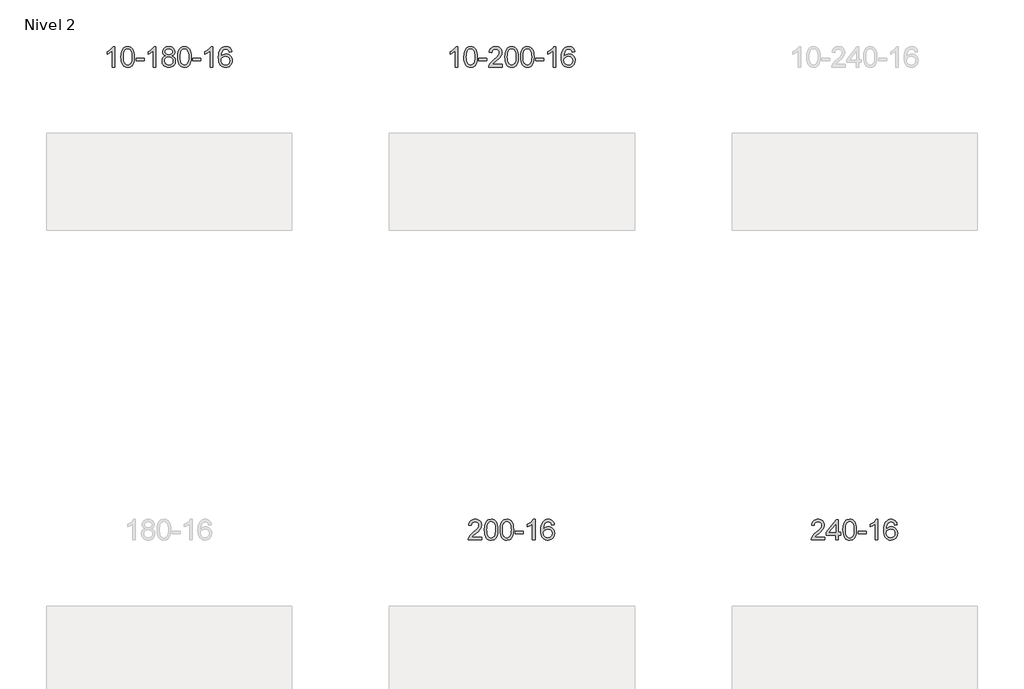
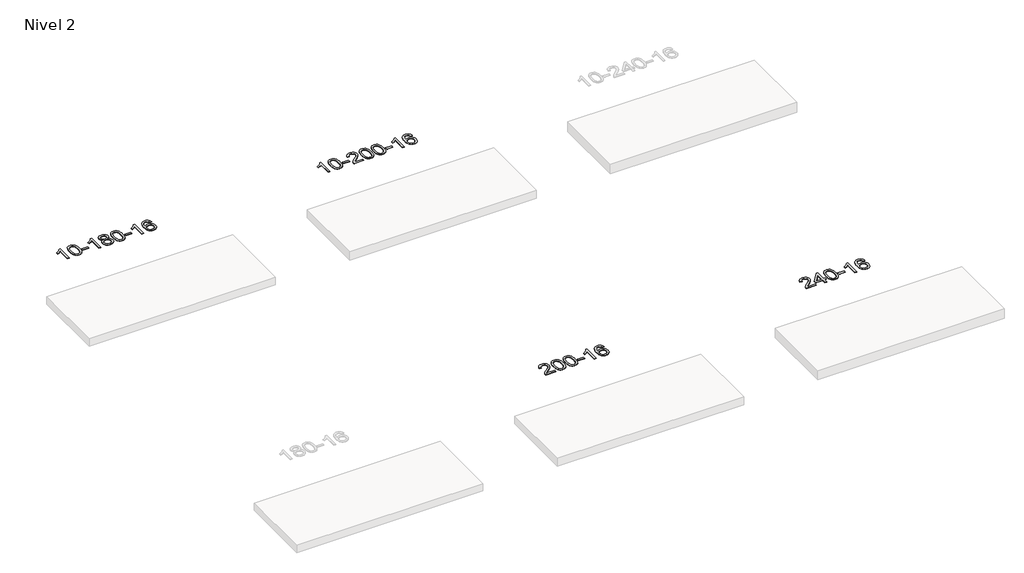
# One storey, part 35 of 51: 4 proxies.
"""IFC4 building model written with IfcOpenShell, lengths in millimetres."""

from ifc_helpers import new_model, si_unit, frame, origin, place, context, project, spatial, polyline, outline, extrude, element, save

model = new_model("IFC4")

# Units and contexts
model_context = context("Model", 3, world=origin())
ifc_project = project(units=[si_unit("LENGTHUNIT", "METRE", prefix="MILLI")], contexts=[model_context])

# Site, building, storey
site = spatial("IfcSite", under=ifc_project)
building = spatial("IfcBuilding", under=site)
storey = spatial("IfcBuildingStorey", under=building, Name="Nivel 2", Elevation=3000.0)

# Proxies
placement = place(None, origin())
element("IfcBuildingElementProxy", 1, Name="Texto de modelo 1", ObjectType="Texto de modelo 1", at=placement, inside=storey, context=model_context, shape_type="SweptSolid", body=[
    extrude(outline(polyline([(44960.4349539, -86347.0667526), (44910.2067988, -86347.0667526), (44910.2067988, -86033.9255983), (44889.2375251, -86050.8849583), (44862.6273941, -86067.8197928), (44809.7504886, -86093.179125), (44809.7504886, -86045.6978222), (44849.1997013, -86024.2380391), (44883.3759386, -85998.7070287), (44910.3171634, -85971.5573374), (44928.0613383, -85945.241512), (44960.4349539, -85945.241512), (44960.4349539, -86347.0667526)])), frame((0.0, 0.0, 3000.0), z_axis=(0.0, 0.0, 1.0), x_axis=(1.0, 0.0, 0.0)), (0.0, 0.0, 1.0), 10.0),
    extrude(outline(polyline([(45079.7268222, -86149.3914939), (45083.4179048, -86085.0734584), (45094.4911529, -86033.7784455), (45112.8362017, -85994.7216404), (45124.6942647, -85979.4882601), (45138.3426867, -85967.118228), (45153.827453, -85957.5471648), (45171.1945489, -85950.710691), (45211.5757292, -85945.241512), (45242.5268678, -85948.4788736), (45270.2406447, -85958.1909583), (45293.4172104, -85973.9976213), (45310.7567151, -85995.518718), (45323.8533142, -86022.5703074), (45334.3011628, -86054.9684485), (45341.1437679, -86096.1099183), (45343.4246363, -86149.3914939), (45339.7703418, -86213.3416474), (45328.8074584, -86264.5140329), (45310.5727741, -86303.6076263), (45298.7423023, -86318.8869918), (45285.1030773, -86331.3214032), (45269.5999169, -86340.9568458), (45252.1776388, -86347.8393048), (45211.5757292, -86353.345272), (45183.9110032, -86350.9540391), (45159.3855369, -86343.7803401), (45137.9993302, -86331.8241753), (45119.7523832, -86315.0855445), (45102.2412003, -86284.8272504), (45089.7332124, -86247.1254773), (45082.2284197, -86201.9802251), (45079.7268222, -86149.3914939)]), holes=[polyline([(45129.9549772, -86149.293392), (45131.4265052, -86192.9579192), (45135.8410892, -86228.3021819), (45143.1987291, -86255.3261801), (45153.4994249, -86274.0299139), (45165.9583618, -86286.7555652), (45179.7907249, -86295.8453162), (45194.996514, -86301.2991668), (45211.5757292, -86303.1171169), (45228.1549445, -86301.2930354), (45243.3607336, -86295.8207907), (45257.1930966, -86286.7003829), (45269.6520335, -86273.931812), (45279.9527294, -86255.1974214), (45287.3103693, -86228.1795545), (45291.7249532, -86192.8782114), (45293.1964812, -86149.293392), (45291.7740042, -86106.7846275), (45287.506573, -86072.0626985), (45280.3941878, -86045.1276051), (45270.4368485, -86025.9793472), (45258.186378, -86012.6313622), (45244.1945995, -86003.0970871), (45228.4615128, -85997.3765221), (45210.987118, -85995.4696671), (45194.4937419, -85997.1496616), (45179.5454702, -86002.1896449), (45166.1423028, -86010.5896171), (45154.2842399, -86022.3495782), (45143.6401875, -86043.1962246), (45136.0372929, -86071.3024091), (45131.4755562, -86106.6681315), (45129.9549772, -86149.293392)])]), frame((0.0, 0.0, 3000.0), z_axis=(0.0, 0.0, 1.0), x_axis=(1.0, 0.0, 0.0)), (0.0, 0.0, 1.0), 10.0),
    extrude(outline(polyline([(45374.8172332, -86227.7748843), (45374.8172332, -86177.5467293), (45531.7802178, -86177.5467293), (45531.7802178, -86227.7748843), (45374.8172332, -86227.7748843)])), frame((0.0, 0.0, 3000.0), z_axis=(0.0, 0.0, 1.0), x_axis=(1.0, 0.0, 0.0)), (0.0, 0.0, 1.0), 10.0),
    extrude(outline(polyline([(45764.0854351, -86347.0667526), (45713.85728, -86347.0667526), (45713.85728, -86033.9255983), (45692.8880063, -86050.8849583), (45666.2778753, -86067.8197928), (45613.4009698, -86093.179125), (45613.4009698, -86045.6978222), (45652.8501824, -86024.2380391), (45687.0264198, -85998.7070287), (45713.9676446, -85971.5573374), (45731.7118195, -85945.241512), (45764.0854351, -85945.241512), (45764.0854351, -86347.0667526)])), frame((0.0, 0.0, 3000.0), z_axis=(0.0, 0.0, 1.0), x_axis=(1.0, 0.0, 0.0)), (0.0, 0.0, 1.0), 10.0),
    extrude(outline(polyline([(45956.5612949, -86125.7489443), (45929.6691211, -86112.5051925), (45910.7967747, -86094.5525511), (45899.6499503, -86072.2589022), (45895.9343421, -86045.9921278), (45897.9576931, -86025.507232), (45904.027746, -86006.7268562), (45914.1445009, -85989.6510002), (45928.3079577, -85974.2796642), (45945.8375348, -85961.5754726), (45966.0526504, -85952.5010501), (45988.9533046, -85947.0563965), (46014.5394974, -85945.241512), (46040.2483175, -85947.0993161), (46063.3206499, -85952.6727283), (46083.7564948, -85961.9617487), (46101.555852, -85974.9663772), (46115.9768262, -85990.6381502), (46126.277522, -86007.928604), (46132.4579396, -86026.8377386), (46134.5180787, -86047.3655539), (46130.8515215, -86072.7861998), (46119.8518499, -86094.6997039), (46101.3964364, -86112.5419807), (46075.3626539, -86125.7489443), (46106.2770042, -86141.6782347), (46128.7791196, -86165.1368433), (46142.501118, -86194.9965986), (46147.0751175, -86230.1293291), (46144.8065119, -86255.182093), (46138.000695, -86278.1501922), (46126.6576668, -86299.0336268), (46110.7774273, -86317.8323968), (46091.1938424, -86333.3692797), (46068.740778, -86344.4670532), (46043.418234, -86351.1257173), (46015.2262104, -86353.345272), (45987.0341869, -86351.1165203), (45961.7116429, -86344.430265), (45939.2585784, -86333.2865062), (45919.6749936, -86317.685244), (45903.7947541, -86298.7546496), (45892.4517259, -86277.6228947), (45885.645909, -86254.2899791), (45883.3773034, -86228.755903), (45888.1352438, -86192.2620091), (45902.4090652, -86162.2428383), (45925.4630036, -86139.7284602), (45956.5612949, -86125.7489443)]), holes=[polyline([(45946.1624972, -86047.4636558), (45950.6138693, -86069.3894227), (45963.9679858, -86086.9006056), (45985.832439, -86098.3785239), (46015.8148216, -86102.2044966), (46045.0982284, -86098.4030494), (46066.6315879, -86086.9987075), (46079.8753397, -86070.0761357), (46084.2899237, -86049.7199987), (46079.7281869, -86028.5913094), (46066.0429767, -86011.1169146), (46044.2153117, -85999.381479), (46015.2262104, -85995.4696671), (45986.0531682, -85999.2956399), (45964.2622914, -86010.7735581), (45950.6874457, -86027.598028), (45946.1624972, -86047.4636558)]), polyline([(45933.6054584, -86226.9900694), (45935.7023858, -86246.2057723), (45941.9931679, -86264.8083385), (45953.6059762, -86281.0319345), (45971.6689822, -86293.1107267), (45993.3004435, -86300.6155194), (46015.6186179, -86303.1171169), (46049.807118, -86297.8564044), (46063.7007947, -86291.2805138), (46075.4607558, -86282.0742668), (46091.5004108, -86258.1741999), (46096.8469624, -86228.5596993), (46091.3287325, -86198.4424266), (46074.7740427, -86174.0150621), (46062.6952505, -86164.5727576), (46048.5317937, -86157.8282543), (46013.9508862, -86152.4326517), (45980.2406327, -86157.7546779), (45966.5033059, -86164.4072107), (45954.8445123, -86173.7207565), (45938.9152219, -86197.6821371), (45933.6054584, -86226.9900694)])]), frame((0.0, 0.0, 3000.0), z_axis=(0.0, 0.0, 1.0), x_axis=(1.0, 0.0, 0.0)), (0.0, 0.0, 1.0), 10.0),
    extrude(outline(polyline([(46191.0247532, -86149.3914939), (46194.7158359, -86085.0734584), (46205.7890839, -86033.7784455), (46224.1341328, -85994.7216404), (46235.9921957, -85979.4882601), (46249.6406178, -85967.118228), (46265.1253841, -85957.5471648), (46282.4924799, -85950.710691), (46322.8736603, -85945.241512), (46353.8247988, -85948.4788736), (46381.5385758, -85958.1909583), (46404.7151415, -85973.9976213), (46422.0546462, -85995.518718), (46435.1512452, -86022.5703074), (46445.5990939, -86054.9684485), (46452.441699, -86096.1099183), (46454.7225673, -86149.3914939), (46451.0682729, -86213.3416474), (46440.1053894, -86264.5140329), (46421.8707052, -86303.6076263), (46410.0402333, -86318.8869918), (46396.4010084, -86331.3214032), (46380.897848, -86340.9568458), (46363.4755698, -86347.8393048), (46322.8736603, -86353.345272), (46295.2089342, -86350.9540391), (46270.6834679, -86343.7803401), (46249.2972612, -86331.8241753), (46231.0503143, -86315.0855445), (46213.5391313, -86284.8272504), (46201.0311435, -86247.1254773), (46193.5263508, -86201.9802251), (46191.0247532, -86149.3914939)]), holes=[polyline([(46241.2529083, -86149.293392), (46242.7244362, -86192.9579192), (46247.1390202, -86228.3021819), (46254.4966601, -86255.3261801), (46264.797356, -86274.0299139), (46277.2562929, -86286.7555652), (46291.0886559, -86295.8453162), (46306.294445, -86301.2991668), (46322.8736603, -86303.1171169), (46339.4528755, -86301.2930354), (46354.6586646, -86295.8207907), (46368.4910277, -86286.7003829), (46380.9499646, -86273.931812), (46391.2506604, -86255.1974214), (46398.6083003, -86228.1795545), (46403.0228843, -86192.8782114), (46404.4944123, -86149.293392), (46403.0719352, -86106.7846275), (46398.8045041, -86072.0626985), (46391.6921188, -86045.1276051), (46381.7347795, -86025.9793472), (46369.4843091, -86012.6313622), (46355.4925305, -86003.0970871), (46339.7594438, -85997.3765221), (46322.2850491, -85995.4696671), (46305.791673, -85997.1496616), (46290.8434012, -86002.1896449), (46277.4402339, -86010.5896171), (46265.5821709, -86022.3495782), (46254.9381185, -86043.1962246), (46247.3352239, -86071.3024091), (46242.7734872, -86106.6681315), (46241.2529083, -86149.293392)])]), frame((0.0, 0.0, 3000.0), z_axis=(0.0, 0.0, 1.0), x_axis=(1.0, 0.0, 0.0)), (0.0, 0.0, 1.0), 10.0),
    extrude(outline(polyline([(46486.1151643, -86227.7748843), (46486.1151643, -86177.5467293), (46643.0781489, -86177.5467293), (46643.0781489, -86227.7748843), (46486.1151643, -86227.7748843)])), frame((0.0, 0.0, 3000.0), z_axis=(0.0, 0.0, 1.0), x_axis=(1.0, 0.0, 0.0)), (0.0, 0.0, 1.0), 10.0),
    extrude(outline(polyline([(46875.3833661, -86347.0667526), (46825.155211, -86347.0667526), (46825.155211, -86033.9255983), (46804.1859373, -86050.8849583), (46777.5758063, -86067.8197928), (46724.6989009, -86093.179125), (46724.6989009, -86045.6978222), (46764.1481135, -86024.2380391), (46798.3243508, -85998.7070287), (46825.2655756, -85971.5573374), (46843.0097505, -85945.241512), (46875.3833661, -85945.241512), (46875.3833661, -86347.0667526)])), frame((0.0, 0.0, 3000.0), z_axis=(0.0, 0.0, 1.0), x_axis=(1.0, 0.0, 0.0)), (0.0, 0.0, 1.0), 10.0),
    extrude(outline(polyline([(47252.0945291, -86051.9763416), (47201.8663741, -86058.254861), (47193.7729702, -86033.3615126), (47182.8346122, -86016.3653644), (47160.050454, -86000.6935914), (47132.5083552, -85995.4696671), (47109.1601113, -85998.5108249), (47087.1852934, -86007.6342984), (47068.3129471, -86026.8500013), (47052.8986915, -86053.3007168), (47042.487631, -86090.7143157), (47038.6248701, -86142.8186689), (47058.7725407, -86119.3110094), (47082.9178623, -86102.7440569), (47109.7119343, -86092.9216076), (47137.805856, -86089.6474579), (47161.9389149, -86091.8854067), (47184.2080383, -86098.5992531), (47204.6132263, -86109.7889971), (47223.1544789, -86125.4546387), (47238.5626031, -86144.6642103), (47249.5684061, -86166.4857439), (47256.1718879, -86190.9192398), (47258.3730485, -86217.9646978), (47254.2282447, -86253.9312942), (47241.7938333, -86287.2736657), (47222.0998838, -86315.5515284), (47196.1764659, -86336.3245984), (47165.2008019, -86349.0901036), (47130.3501142, -86353.345272), (47100.4075855, -86350.5248434), (47073.3651932, -86342.0635575), (47049.2229372, -86327.9614144), (47027.9808177, -86308.2184139), (47010.6627728, -86282.0006904), (46998.2927407, -86248.4743779), (46990.8707214, -86207.6394765), (46988.396715, -86159.495986), (46991.1435672, -86105.521566), (46999.3841239, -86059.4566088), (47013.1183851, -86021.3011145), (47032.3463507, -85991.0550832), (47053.1868657, -85971.0116458), (47077.3505814, -85956.6949048), (47104.8374978, -85948.1048602), (47135.6476149, -85945.241512), (47158.7812611, -85947.013477), (47179.719878, -85952.3293718), (47198.4634656, -85961.1891965), (47215.012024, -85973.5929511), (47228.9179635, -85989.1237027), (47239.7336941, -86007.3645183), (47247.459216, -86028.3153979), (47252.0945291, -86051.9763416)]), holes=[polyline([(47038.6248701, -86217.1798829), (47041.5311378, -86239.4367436), (47050.2499411, -86260.6880602), (47063.7879986, -86278.9595326), (47081.1520287, -86292.2768608), (47102.1090397, -86300.4070529), (47126.4260396, -86303.1171169), (47159.5722074, -86297.5007852), (47173.4873438, -86290.4803704), (47185.6305154, -86280.6517898), (47195.4805558, -86268.4135821), (47202.5162989, -86254.1642861), (47208.1448935, -86219.6324295), (47202.5898753, -86186.4862617), (47195.6461027, -86172.8654309), (47185.9248209, -86161.2127687), (47173.7448612, -86151.877763), (47159.4250546, -86145.2099019), (47124.3659004, -86139.875613), (47091.2687836, -86145.2099019), (47063.5917948, -86161.2127687), (47052.6687652, -86172.7121467), (47044.8666013, -86185.8731251), (47040.1853029, -86200.6957038), (47038.6248701, -86217.1798829)])]), frame((0.0, 0.0, 3000.0), z_axis=(0.0, 0.0, 1.0), x_axis=(1.0, 0.0, 0.0)), (0.0, 0.0, 1.0), 10.0),
])
element("IfcBuildingElementProxy", 2, Name="Texto de modelo 1", ObjectType="Texto de modelo 1", at=placement, inside=storey, context=model_context, shape_type="SweptSolid", body=[
    extrude(outline(polyline([(51675.3754887, -86347.0667526), (51625.1473336, -86347.0667526), (51625.1473336, -86033.9255983), (51604.1780599, -86050.8849583), (51577.5679289, -86067.8197928), (51524.6910235, -86093.179125), (51524.6910235, -86045.6978222), (51564.1402361, -86024.2380391), (51598.3164734, -85998.7070287), (51625.2576982, -85971.5573374), (51643.0018731, -85945.241512), (51675.3754887, -85945.241512), (51675.3754887, -86347.0667526)])), frame((0.0, 0.0, 3000.0), z_axis=(0.0, 0.0, 1.0), x_axis=(1.0, 0.0, 0.0)), (0.0, 0.0, 1.0), 10.0),
    extrude(outline(polyline([(51794.667357, -86149.3914939), (51798.3584397, -86085.0734584), (51809.4316877, -86033.7784455), (51827.7767366, -85994.7216404), (51839.6347995, -85979.4882601), (51853.2832216, -85967.118228), (51868.7679879, -85957.5471648), (51886.1350837, -85950.710691), (51926.5162641, -85945.241512), (51957.4674026, -85948.4788736), (51985.1811796, -85958.1909583), (52008.3577453, -85973.9976213), (52025.69725, -85995.518718), (52038.793849, -86022.5703074), (52049.2416976, -86054.9684485), (52056.0843028, -86096.1099183), (52058.3651711, -86149.3914939), (52054.7108766, -86213.3416474), (52043.7479932, -86264.5140329), (52025.513309, -86303.6076263), (52013.6828371, -86318.8869918), (52000.0436122, -86331.3214032), (51984.5404517, -86340.9568458), (51967.1181736, -86347.8393048), (51926.5162641, -86353.345272), (51898.851538, -86350.9540391), (51874.3260717, -86343.7803401), (51852.939865, -86331.8241753), (51834.6929181, -86315.0855445), (51817.1817351, -86284.8272504), (51804.6737473, -86247.1254773), (51797.1689546, -86201.9802251), (51794.667357, -86149.3914939)]), holes=[polyline([(51844.8955121, -86149.293392), (51846.36704, -86192.9579192), (51850.781624, -86228.3021819), (51858.1392639, -86255.3261801), (51868.4399598, -86274.0299139), (51880.8988967, -86286.7555652), (51894.7312597, -86295.8453162), (51909.9370488, -86301.2991668), (51926.5162641, -86303.1171169), (51943.0954793, -86301.2930354), (51958.3012684, -86295.8207907), (51972.1336315, -86286.7003829), (51984.5925684, -86273.931812), (51994.8932642, -86255.1974214), (52002.2509041, -86228.1795545), (52006.6654881, -86192.8782114), (52008.1370161, -86149.293392), (52006.714539, -86106.7846275), (52002.4471079, -86072.0626985), (51995.3347226, -86045.1276051), (51985.3773833, -86025.9793472), (51973.1269128, -86012.6313622), (51959.1351343, -86003.0970871), (51943.4020476, -85997.3765221), (51925.9276529, -85995.4696671), (51909.4342767, -85997.1496616), (51894.486005, -86002.1896449), (51881.0828377, -86010.5896171), (51869.2247747, -86022.3495782), (51858.5807223, -86043.1962246), (51850.9778277, -86071.3024091), (51846.416091, -86106.6681315), (51844.8955121, -86149.293392)])]), frame((0.0, 0.0, 3000.0), z_axis=(0.0, 0.0, 1.0), x_axis=(1.0, 0.0, 0.0)), (0.0, 0.0, 1.0), 10.0),
    extrude(outline(polyline([(52089.7577681, -86227.7748843), (52089.7577681, -86177.5467293), (52246.7207527, -86177.5467293), (52246.7207527, -86227.7748843), (52089.7577681, -86227.7748843)])), frame((0.0, 0.0, 3000.0), z_axis=(0.0, 0.0, 1.0), x_axis=(1.0, 0.0, 0.0)), (0.0, 0.0, 1.0), 10.0),
    extrude(outline(polyline([(52548.0896831, -86296.8385976), (52548.0896831, -86347.0667526), (52284.391869, -86347.0667526), (52285.495515, -86329.3838914), (52289.7874716, -86312.4367942), (52302.1728321, -86285.372942), (52320.2971517, -86259.1184303), (52346.5148752, -86231.6376453), (52383.1804474, -86200.8949732), (52437.381728, -86152.7514828), (52469.9024964, -86117.2140821), (52486.1628806, -86088.3721336), (52491.5830086, -86060.3150001), (52486.4694489, -86035.1641344), (52471.1287697, -86014.2561743), (52447.5475338, -86000.1662939), (52417.712304, -85995.4696671), (52386.3810208, -86000.0559293), (52362.0394954, -86013.8147159), (52346.3309342, -86035.6669065), (52340.8985434, -86064.5333803), (52290.6703884, -86058.254861), (52294.9899361, -86032.3253117), (52302.8472824, -86009.6699121), (52314.2424272, -85990.2886623), (52329.1753705, -85974.1815623), (52347.3027558, -85961.5202903), (52368.2812266, -85952.4765246), (52392.1107828, -85947.0502652), (52418.7914245, -85945.241512), (52445.7111895, -85947.2526003), (52469.6695045, -85953.285865), (52490.6663693, -85963.3413062), (52508.7017842, -85977.4189239), (52523.1871377, -85994.4763857), (52533.5338188, -86013.4713594), (52539.7418275, -86034.4038449), (52541.8111637, -86057.2738423), (52539.5793463, -86081.2965366), (52532.883894, -86104.9022979), (52521.0013055, -86128.9127295), (52503.2080797, -86154.1494344), (52474.8443779, -86184.2789698), (52431.2503614, -86222.9678929), (52373.4683627, -86271.2830616), (52350.8068318, -86296.8385976), (52548.0896831, -86296.8385976)])), frame((0.0, 0.0, 3000.0), z_axis=(0.0, 0.0, 1.0), x_axis=(1.0, 0.0, 0.0)), (0.0, 0.0, 1.0), 10.0),
    extrude(outline(polyline([(52598.3178382, -86149.3914939), (52602.0089209, -86085.0734584), (52613.0821689, -86033.7784455), (52631.4272177, -85994.7216404), (52643.2852807, -85979.4882601), (52656.9337027, -85967.118228), (52672.4184691, -85957.5471648), (52689.7855649, -85950.710691), (52730.1667453, -85945.241512), (52761.1178838, -85948.4788736), (52788.8316608, -85958.1909583), (52812.0082264, -85973.9976213), (52829.3477312, -85995.518718), (52842.4443302, -86022.5703074), (52852.8921788, -86054.9684485), (52859.734784, -86096.1099183), (52862.0156523, -86149.3914939), (52858.3613578, -86213.3416474), (52847.3984744, -86264.5140329), (52829.1637902, -86303.6076263), (52817.3333183, -86318.8869918), (52803.6940934, -86331.3214032), (52788.1909329, -86340.9568458), (52770.7686548, -86347.8393048), (52730.1667453, -86353.345272), (52702.5020192, -86350.9540391), (52677.9765529, -86343.7803401), (52656.5903462, -86331.8241753), (52638.3433993, -86315.0855445), (52620.8322163, -86284.8272504), (52608.3242285, -86247.1254773), (52600.8194358, -86201.9802251), (52598.3178382, -86149.3914939)]), holes=[polyline([(52648.5459933, -86149.293392), (52650.0175212, -86192.9579192), (52654.4321052, -86228.3021819), (52661.7897451, -86255.3261801), (52672.090441, -86274.0299139), (52684.5493779, -86286.7555652), (52698.3817409, -86295.8453162), (52713.58753, -86301.2991668), (52730.1667453, -86303.1171169), (52746.7459605, -86301.2930354), (52761.9517496, -86295.8207907), (52775.7841127, -86286.7003829), (52788.2430496, -86273.931812), (52798.5437454, -86255.1974214), (52805.9013853, -86228.1795545), (52810.3159693, -86192.8782114), (52811.7874973, -86149.293392), (52810.3650202, -86106.7846275), (52806.0975891, -86072.0626985), (52798.9852038, -86045.1276051), (52789.0278645, -86025.9793472), (52776.777394, -86012.6313622), (52762.7856155, -86003.0970871), (52747.0525288, -85997.3765221), (52729.5781341, -85995.4696671), (52713.0847579, -85997.1496616), (52698.1364862, -86002.1896449), (52684.7333189, -86010.5896171), (52672.8752559, -86022.3495782), (52662.2312035, -86043.1962246), (52654.6283089, -86071.3024091), (52650.0665722, -86106.6681315), (52648.5459933, -86149.293392)])]), frame((0.0, 0.0, 3000.0), z_axis=(0.0, 0.0, 1.0), x_axis=(1.0, 0.0, 0.0)), (0.0, 0.0, 1.0), 10.0),
    extrude(outline(polyline([(52905.965288, -86149.3914939), (52909.6563707, -86085.0734584), (52920.7296188, -86033.7784455), (52939.0746676, -85994.7216404), (52950.9327306, -85979.4882601), (52964.5811526, -85967.118228), (52980.0659189, -85957.5471648), (52997.4330148, -85950.710691), (53037.8141951, -85945.241512), (53068.7653336, -85948.4788736), (53096.4791106, -85958.1909583), (53119.6556763, -85973.9976213), (53136.995181, -85995.518718), (53150.09178, -86022.5703074), (53160.5396287, -86054.9684485), (53167.3822338, -86096.1099183), (53169.6631022, -86149.3914939), (53166.0088077, -86213.3416474), (53155.0459242, -86264.5140329), (53136.81124, -86303.6076263), (53124.9807682, -86318.8869918), (53111.3415432, -86331.3214032), (53095.8383828, -86340.9568458), (53078.4161046, -86347.8393048), (53037.8141951, -86353.345272), (53010.1494691, -86350.9540391), (52985.6240027, -86343.7803401), (52964.2377961, -86331.8241753), (52945.9908491, -86315.0855445), (52928.4796661, -86284.8272504), (52915.9716783, -86247.1254773), (52908.4668856, -86201.9802251), (52905.965288, -86149.3914939)]), holes=[polyline([(52956.1934431, -86149.293392), (52957.6649711, -86192.9579192), (52962.079555, -86228.3021819), (52969.4371949, -86255.3261801), (52979.7378908, -86274.0299139), (52992.1968277, -86286.7555652), (53006.0291907, -86295.8453162), (53021.2349798, -86301.2991668), (53037.8141951, -86303.1171169), (53054.3934103, -86301.2930354), (53069.5991995, -86295.8207907), (53083.4315625, -86286.7003829), (53095.8904994, -86273.931812), (53106.1911953, -86255.1974214), (53113.5488352, -86228.1795545), (53117.9634191, -86192.8782114), (53119.4349471, -86149.293392), (53118.01247, -86106.7846275), (53113.7450389, -86072.0626985), (53106.6326537, -86045.1276051), (53096.6753143, -86025.9793472), (53084.4248439, -86012.6313622), (53070.4330653, -86003.0970871), (53054.6999787, -85997.3765221), (53037.2255839, -85995.4696671), (53020.7322078, -85997.1496616), (53005.783936, -86002.1896449), (52992.3807687, -86010.5896171), (52980.5227057, -86022.3495782), (52969.8786533, -86043.1962246), (52962.2757587, -86071.3024091), (52957.714022, -86106.6681315), (52956.1934431, -86149.293392)])]), frame((0.0, 0.0, 3000.0), z_axis=(0.0, 0.0, 1.0), x_axis=(1.0, 0.0, 0.0)), (0.0, 0.0, 1.0), 10.0),
    extrude(outline(polyline([(53201.0556991, -86227.7748843), (53201.0556991, -86177.5467293), (53358.0186837, -86177.5467293), (53358.0186837, -86227.7748843), (53201.0556991, -86227.7748843)])), frame((0.0, 0.0, 3000.0), z_axis=(0.0, 0.0, 1.0), x_axis=(1.0, 0.0, 0.0)), (0.0, 0.0, 1.0), 10.0),
    extrude(outline(polyline([(53590.3239009, -86347.0667526), (53540.0957458, -86347.0667526), (53540.0957458, -86033.9255983), (53519.1264721, -86050.8849583), (53492.5163411, -86067.8197928), (53439.6394357, -86093.179125), (53439.6394357, -86045.6978222), (53479.0886483, -86024.2380391), (53513.2648857, -85998.7070287), (53540.2061104, -85971.5573374), (53557.9502853, -85945.241512), (53590.3239009, -85945.241512), (53590.3239009, -86347.0667526)])), frame((0.0, 0.0, 3000.0), z_axis=(0.0, 0.0, 1.0), x_axis=(1.0, 0.0, 0.0)), (0.0, 0.0, 1.0), 10.0),
    extrude(outline(polyline([(53967.035064, -86051.9763416), (53916.8069089, -86058.254861), (53908.713505, -86033.3615126), (53897.775147, -86016.3653644), (53874.9909888, -86000.6935914), (53847.4488901, -85995.4696671), (53824.1006461, -85998.5108249), (53802.1258283, -86007.6342984), (53783.2534819, -86026.8500013), (53767.8392263, -86053.3007168), (53757.4281659, -86090.7143157), (53753.5654049, -86142.8186689), (53773.7130755, -86119.3110094), (53797.8583971, -86102.7440569), (53824.6524691, -86092.9216076), (53852.7463908, -86089.6474579), (53876.8794497, -86091.8854067), (53899.1485731, -86098.5992531), (53919.5537611, -86109.7889971), (53938.0950137, -86125.4546387), (53953.5031379, -86144.6642103), (53964.5089409, -86166.4857439), (53971.1124228, -86190.9192398), (53973.3135834, -86217.9646978), (53969.1687795, -86253.9312942), (53956.7343681, -86287.2736657), (53937.0404186, -86315.5515284), (53911.1170007, -86336.3245984), (53880.1413367, -86349.0901036), (53845.290649, -86353.345272), (53815.3481203, -86350.5248434), (53788.305728, -86342.0635575), (53764.163472, -86327.9614144), (53742.9213525, -86308.2184139), (53725.6033076, -86282.0006904), (53713.2332755, -86248.4743779), (53705.8112562, -86207.6394765), (53703.3372498, -86159.495986), (53706.0841021, -86105.521566), (53714.3246588, -86059.4566088), (53728.0589199, -86021.3011145), (53747.2868855, -85991.0550832), (53768.1274005, -85971.0116458), (53792.2911163, -85956.6949048), (53819.7780327, -85948.1048602), (53850.5881498, -85945.241512), (53873.7217959, -85947.013477), (53894.6604128, -85952.3293718), (53913.4040004, -85961.1891965), (53929.9525589, -85973.5929511), (53943.8584983, -85989.1237027), (53954.6742289, -86007.3645183), (53962.3997508, -86028.3153979), (53967.035064, -86051.9763416)]), holes=[polyline([(53753.5654049, -86217.1798829), (53756.4716727, -86239.4367436), (53765.190476, -86260.6880602), (53778.7285334, -86278.9595326), (53796.0925635, -86292.2768608), (53817.0495745, -86300.4070529), (53841.3665744, -86303.1171169), (53874.5127422, -86297.5007852), (53888.4278787, -86290.4803704), (53900.5710502, -86280.6517898), (53910.4210906, -86268.4135821), (53917.4568338, -86254.1642861), (53923.0854283, -86219.6324295), (53917.5304102, -86186.4862617), (53910.5866375, -86172.8654309), (53900.8653558, -86161.2127687), (53888.685396, -86151.877763), (53874.3655894, -86145.2099019), (53839.3064352, -86139.875613), (53806.2093184, -86145.2099019), (53778.5323296, -86161.2127687), (53767.6093001, -86172.7121467), (53759.8071361, -86185.8731251), (53755.1258377, -86200.6957038), (53753.5654049, -86217.1798829)])]), frame((0.0, 0.0, 3000.0), z_axis=(0.0, 0.0, 1.0), x_axis=(1.0, 0.0, 0.0)), (0.0, 0.0, 1.0), 10.0),
])
element("IfcBuildingElementProxy", 3, Name="Texto de modelo 1", ObjectType="Texto de modelo 1", at=placement, inside=storey, context=model_context, shape_type="SweptSolid", body=[
    extrude(outline(polyline([(52146.2644425, -95555.2193005), (52146.2644425, -95605.4474555), (51882.5666284, -95605.4474555), (51883.6702744, -95587.7645943), (51887.962231, -95570.8174971), (51900.3475915, -95543.7536449), (51918.4719111, -95517.4991332), (51944.6896346, -95490.0183482), (51981.3552068, -95459.2756761), (52035.5564874, -95411.1321857), (52068.0772558, -95375.594785), (52084.33764, -95346.7528365), (52089.7577681, -95318.695703), (52084.6442083, -95293.5448373), (52069.3035291, -95272.6368772), (52045.7222932, -95258.5469968), (52015.8870634, -95253.85037), (51984.5557802, -95258.4366322), (51960.2142548, -95272.1954188), (51944.5056936, -95294.0476094), (51939.0733028, -95322.9140832), (51888.8451478, -95316.6355639), (51893.1646955, -95290.7060146), (51901.0220418, -95268.050615), (51912.4171866, -95248.6693652), (51927.3501299, -95232.5622652), (51945.4775152, -95219.9009932), (51966.455986, -95210.8572275), (51990.2855422, -95205.4309681), (52016.9661839, -95203.6222149), (52043.8859489, -95205.6333032), (52067.8442639, -95211.6665679), (52088.8411287, -95221.7220091), (52106.8765436, -95235.7996268), (52121.3618971, -95252.8570886), (52131.7085782, -95271.8520623), (52137.9165869, -95292.7845478), (52139.9859231, -95315.6545452), (52137.7541057, -95339.6772395), (52131.0586534, -95363.2830008), (52119.1760649, -95387.2934324), (52101.3828391, -95412.5301373), (52073.0191373, -95442.6596727), (52029.4251208, -95481.3485958), (51971.6431221, -95529.6637645), (51948.9815912, -95555.2193005), (52146.2644425, -95555.2193005)])), frame((0.0, 0.0, 3000.0), z_axis=(0.0, 0.0, 1.0), x_axis=(1.0, 0.0, 0.0)), (0.0, 0.0, 1.0), 10.0),
    extrude(outline(polyline([(52196.4925976, -95407.7721968), (52200.1836803, -95343.4541613), (52211.2569283, -95292.1591484), (52229.6019772, -95253.1023433), (52241.4600401, -95237.868963), (52255.1084622, -95225.4989309), (52270.5932285, -95215.9278677), (52287.9603243, -95209.0913939), (52328.3415047, -95203.6222149), (52359.2926432, -95206.8595765), (52387.0064202, -95216.5716612), (52410.1829859, -95232.3783242), (52427.5224906, -95253.8994209), (52440.6190896, -95280.9510103), (52451.0669382, -95313.3491514), (52457.9095434, -95354.4906212), (52460.1904117, -95407.7721968), (52456.5361172, -95471.7223503), (52445.5732338, -95522.8947358), (52427.3385496, -95561.9883292), (52415.5080777, -95577.2676947), (52401.8688528, -95589.7021061), (52386.3656923, -95599.3375487), (52368.9434142, -95606.2200077), (52328.3415047, -95611.7259749), (52300.6767786, -95609.334742), (52276.1513123, -95602.161043), (52254.7651056, -95590.2048782), (52236.5181587, -95573.4662474), (52219.0069757, -95543.2079533), (52206.4989879, -95505.5061802), (52198.9941952, -95460.360928), (52196.4925976, -95407.7721968)]), holes=[polyline([(52246.7207527, -95407.6740949), (52248.1922806, -95451.3386221), (52252.6068646, -95486.6828848), (52259.9645045, -95513.706883), (52270.2652004, -95532.4106168), (52282.7241373, -95545.1362681), (52296.5565003, -95554.2260191), (52311.7622894, -95559.6798697), (52328.3415047, -95561.4978198), (52344.9207199, -95559.6737383), (52360.126509, -95554.2014936), (52373.9588721, -95545.0810858), (52386.417809, -95532.3125149), (52396.7185048, -95513.5781243), (52404.0761447, -95486.5602574), (52408.4907287, -95451.2589143), (52409.9622567, -95407.6740949), (52408.5397796, -95365.1653304), (52404.2723485, -95330.4434014), (52397.1599632, -95303.508308), (52387.2026239, -95284.3600501), (52374.9521534, -95271.0120651), (52360.9603749, -95261.47779), (52345.2272882, -95255.757225), (52327.7528935, -95253.85037), (52311.2595173, -95255.5303645), (52296.3112456, -95260.5703478), (52282.9080783, -95268.97032), (52271.0500153, -95280.7302811), (52260.4059629, -95301.5769275), (52252.8030683, -95329.683112), (52248.2413316, -95365.0488344), (52246.7207527, -95407.6740949)])]), frame((0.0, 0.0, 3000.0), z_axis=(0.0, 0.0, 1.0), x_axis=(1.0, 0.0, 0.0)), (0.0, 0.0, 1.0), 10.0),
    extrude(outline(polyline([(52504.1400474, -95407.7721968), (52507.8311301, -95343.4541613), (52518.9043782, -95292.1591484), (52537.249427, -95253.1023433), (52549.10749, -95237.868963), (52562.755912, -95225.4989309), (52578.2406783, -95215.9278677), (52595.6077742, -95209.0913939), (52635.9889545, -95203.6222149), (52666.940093, -95206.8595765), (52694.65387, -95216.5716612), (52717.8304357, -95232.3783242), (52735.1699404, -95253.8994209), (52748.2665394, -95280.9510103), (52758.7143881, -95313.3491514), (52765.5569932, -95354.4906212), (52767.8378616, -95407.7721968), (52764.1835671, -95471.7223503), (52753.2206836, -95522.8947358), (52734.9859994, -95561.9883292), (52723.1555276, -95577.2676947), (52709.5163026, -95589.7021061), (52694.0131422, -95599.3375487), (52676.590864, -95606.2200077), (52635.9889545, -95611.7259749), (52608.3242285, -95609.334742), (52583.7987621, -95602.161043), (52562.4125555, -95590.2048782), (52544.1656085, -95573.4662474), (52526.6544255, -95543.2079533), (52514.1464377, -95505.5061802), (52506.641645, -95460.360928), (52504.1400474, -95407.7721968)]), holes=[polyline([(52554.3682025, -95407.6740949), (52555.8397305, -95451.3386221), (52560.2543144, -95486.6828848), (52567.6119543, -95513.706883), (52577.9126502, -95532.4106168), (52590.3715871, -95545.1362681), (52604.2039501, -95554.2260191), (52619.4097392, -95559.6798697), (52635.9889545, -95561.4978198), (52652.5681697, -95559.6737383), (52667.7739589, -95554.2014936), (52681.6063219, -95545.0810858), (52694.0652588, -95532.3125149), (52704.3659547, -95513.5781243), (52711.7235946, -95486.5602574), (52716.1381785, -95451.2589143), (52717.6097065, -95407.6740949), (52716.1872294, -95365.1653304), (52711.9197983, -95330.4434014), (52704.8074131, -95303.508308), (52694.8500737, -95284.3600501), (52682.5996033, -95271.0120651), (52668.6078247, -95261.47779), (52652.8747381, -95255.757225), (52635.4003433, -95253.85037), (52618.9069672, -95255.5303645), (52603.9586954, -95260.5703478), (52590.5555281, -95268.97032), (52578.6974651, -95280.7302811), (52568.0534127, -95301.5769275), (52560.4505181, -95329.683112), (52555.8887814, -95365.0488344), (52554.3682025, -95407.6740949)])]), frame((0.0, 0.0, 3000.0), z_axis=(0.0, 0.0, 1.0), x_axis=(1.0, 0.0, 0.0)), (0.0, 0.0, 1.0), 10.0),
    extrude(outline(polyline([(52799.2304585, -95486.1555872), (52799.2304585, -95435.9274322), (52956.1934431, -95435.9274322), (52956.1934431, -95486.1555872), (52799.2304585, -95486.1555872)])), frame((0.0, 0.0, 3000.0), z_axis=(0.0, 0.0, 1.0), x_axis=(1.0, 0.0, 0.0)), (0.0, 0.0, 1.0), 10.0),
    extrude(outline(polyline([(53188.4986603, -95605.4474555), (53138.2705052, -95605.4474555), (53138.2705052, -95292.3063012), (53117.3012315, -95309.2656612), (53090.6911005, -95326.2004957), (53037.8141951, -95351.5598279), (53037.8141951, -95304.0785251), (53077.2634077, -95282.618742), (53111.4396451, -95257.0877316), (53138.3808698, -95229.9380403), (53156.1250447, -95203.6222149), (53188.4986603, -95203.6222149), (53188.4986603, -95605.4474555)])), frame((0.0, 0.0, 3000.0), z_axis=(0.0, 0.0, 1.0), x_axis=(1.0, 0.0, 0.0)), (0.0, 0.0, 1.0), 10.0),
    extrude(outline(polyline([(53565.2098234, -95310.3570445), (53514.9816683, -95316.6355639), (53506.8882644, -95291.7422155), (53495.9499064, -95274.7460673), (53473.1657482, -95259.0742943), (53445.6236495, -95253.85037), (53422.2754055, -95256.8915278), (53400.3005877, -95266.0150013), (53381.4282413, -95285.2307042), (53366.0139857, -95311.6814197), (53355.6029253, -95349.0950186), (53351.7401643, -95401.1993718), (53371.8878349, -95377.6917123), (53396.0331565, -95361.1247598), (53422.8272285, -95351.3023105), (53450.9211502, -95348.0281608), (53475.0542091, -95350.2661096), (53497.3233325, -95356.979956), (53517.7285205, -95368.1697), (53536.2697731, -95383.8353416), (53551.6778973, -95403.0449132), (53562.6837003, -95424.8664468), (53569.2871822, -95449.2999427), (53571.4883428, -95476.3454007), (53567.3435389, -95512.3119971), (53554.9091275, -95545.6543686), (53535.215178, -95573.9322313), (53509.2917601, -95594.7053013), (53478.3160961, -95607.4708065), (53443.4654084, -95611.7259749), (53413.5228797, -95608.9055463), (53386.4804874, -95600.4442604), (53362.3382315, -95586.3421173), (53341.0961119, -95566.5991168), (53323.778067, -95540.3813933), (53311.4080349, -95506.8550808), (53303.9860156, -95466.0201794), (53301.5120092, -95417.8766889), (53304.2588615, -95363.9022689), (53312.4994182, -95317.8373117), (53326.2336793, -95279.6818174), (53345.4616449, -95249.4357861), (53366.3021599, -95229.3923487), (53390.4658757, -95215.0756077), (53417.9527921, -95206.4855631), (53448.7629092, -95203.6222149), (53471.8965553, -95205.3941799), (53492.8351722, -95210.7100747), (53511.5787598, -95219.5698994), (53528.1273183, -95231.973654), (53542.0332577, -95247.5044056), (53552.8489883, -95265.7452212), (53560.5745102, -95286.6961008), (53565.2098234, -95310.3570445)]), holes=[polyline([(53351.7401643, -95475.5605858), (53354.6464321, -95497.8174465), (53363.3652354, -95519.0687631), (53376.9032928, -95537.3402355), (53394.2673229, -95550.6575637), (53415.2243339, -95558.7877558), (53439.5413338, -95561.4978198), (53472.6875016, -95555.8814881), (53486.6026381, -95548.8610733), (53498.7458096, -95539.0324927), (53508.59585, -95526.794285), (53515.6315932, -95512.544989), (53521.2601877, -95478.0131324), (53515.7051696, -95444.8669646), (53508.7613969, -95431.2461338), (53499.0401152, -95419.5934716), (53486.8601555, -95410.2584659), (53472.5403488, -95403.5906048), (53437.4811946, -95398.2563159), (53404.3840778, -95403.5906048), (53376.707089, -95419.5934716), (53365.7840595, -95431.0928496), (53357.9818955, -95444.253828), (53353.3005971, -95459.0764067), (53351.7401643, -95475.5605858)])]), frame((0.0, 0.0, 3000.0), z_axis=(0.0, 0.0, 1.0), x_axis=(1.0, 0.0, 0.0)), (0.0, 0.0, 1.0), 10.0),
])
element("IfcBuildingElementProxy", 4, Name="Texto de modelo 1", ObjectType="Texto de modelo 1", at=placement, inside=storey, context=model_context, shape_type="SweptSolid", body=[
    extrude(outline(polyline([(58861.2049773, -95555.2193005), (58861.2049773, -95605.4474555), (58597.5071632, -95605.4474555), (58598.6108092, -95587.7645943), (58602.9027658, -95570.8174971), (58615.2881263, -95543.7536449), (58633.4124459, -95517.4991332), (58659.6301694, -95490.0183482), (58696.2957416, -95459.2756761), (58750.4970223, -95411.1321857), (58783.0177906, -95375.594785), (58799.2781748, -95346.7528365), (58804.6983029, -95318.695703), (58799.5847431, -95293.5448373), (58784.2440639, -95272.6368772), (58760.6628281, -95258.5469968), (58730.8275982, -95253.85037), (58699.496315, -95258.4366322), (58675.1547896, -95272.1954188), (58659.4462284, -95294.0476094), (58654.0138377, -95322.9140832), (58603.7856826, -95316.6355639), (58608.1052303, -95290.7060146), (58615.9625766, -95268.050615), (58627.3577214, -95248.6693652), (58642.2906647, -95232.5622652), (58660.4180501, -95219.9009932), (58681.3965208, -95210.8572275), (58705.2260771, -95205.4309681), (58731.9067188, -95203.6222149), (58758.8264838, -95205.6333032), (58782.7847987, -95211.6665679), (58803.7816636, -95221.7220091), (58821.8170784, -95235.7996268), (58836.3024319, -95252.8570886), (58846.6491131, -95271.8520623), (58852.8571217, -95292.7845478), (58854.926458, -95315.6545452), (58852.6946405, -95339.6772395), (58845.9991882, -95363.2830008), (58834.1165998, -95387.2934324), (58816.3233739, -95412.5301373), (58787.9596721, -95442.6596727), (58744.3656557, -95481.3485958), (58686.583657, -95529.6637645), (58663.9221261, -95555.2193005), (58861.2049773, -95555.2193005)])), frame((0.0, 0.0, 3000.0), z_axis=(0.0, 0.0, 1.0), x_axis=(1.0, 0.0, 0.0)), (0.0, 0.0, 1.0), 10.0),
    extrude(outline(polyline([(59074.6746364, -95605.4474555), (59074.6746364, -95511.2696648), (58892.5975743, -95511.2696648), (58892.5975743, -95461.0415097), (59087.2316752, -95209.9007343), (59124.9027915, -95209.9007343), (59124.9027915, -95461.0415097), (59175.1309466, -95461.0415097), (59175.1309466, -95511.2696648), (59124.9027915, -95511.2696648), (59124.9027915, -95605.4474555), (59074.6746364, -95605.4474555)]), holes=[polyline([(59074.6746364, -95461.0415097), (59074.6746364, -95305.8443587), (58954.4017494, -95461.0415097), (59074.6746364, -95461.0415097)])]), frame((0.0, 0.0, 3000.0), z_axis=(0.0, 0.0, 1.0), x_axis=(1.0, 0.0, 0.0)), (0.0, 0.0, 1.0), 10.0),
    extrude(outline(polyline([(59219.0805822, -95407.7721968), (59222.7716649, -95343.4541613), (59233.844913, -95292.1591484), (59252.1899618, -95253.1023433), (59264.0480248, -95237.868963), (59277.6964468, -95225.4989309), (59293.1812131, -95215.9278677), (59310.548309, -95209.0913939), (59350.9294893, -95203.6222149), (59381.8806278, -95206.8595765), (59409.5944048, -95216.5716612), (59432.7709705, -95232.3783242), (59450.1104752, -95253.8994209), (59463.2070742, -95280.9510103), (59473.6549229, -95313.3491514), (59480.497528, -95354.4906212), (59482.7783964, -95407.7721968), (59479.1241019, -95471.7223503), (59468.1612184, -95522.8947358), (59449.9265342, -95561.9883292), (59438.0960624, -95577.2676947), (59424.4568374, -95589.7021061), (59408.953677, -95599.3375487), (59391.5313988, -95606.2200077), (59350.9294893, -95611.7259749), (59323.2647633, -95609.334742), (59298.7392969, -95602.161043), (59277.3530903, -95590.2048782), (59259.1061433, -95573.4662474), (59241.5949603, -95543.2079533), (59229.0869725, -95505.5061802), (59221.5821798, -95460.360928), (59219.0805822, -95407.7721968)]), holes=[polyline([(59269.3087373, -95407.6740949), (59270.7802653, -95451.3386221), (59275.1948492, -95486.6828848), (59282.5524891, -95513.706883), (59292.853185, -95532.4106168), (59305.3121219, -95545.1362681), (59319.1444849, -95554.2260191), (59334.3502741, -95559.6798697), (59350.9294893, -95561.4978198), (59367.5087046, -95559.6737383), (59382.7144937, -95554.2014936), (59396.5468567, -95545.0810858), (59409.0057936, -95532.3125149), (59419.3064895, -95513.5781243), (59426.6641294, -95486.5602574), (59431.0787133, -95451.2589143), (59432.5502413, -95407.6740949), (59431.1277643, -95365.1653304), (59426.8603331, -95330.4434014), (59419.7479479, -95303.508308), (59409.7906085, -95284.3600501), (59397.5401381, -95271.0120651), (59383.5483596, -95261.47779), (59367.8152729, -95255.757225), (59350.3408781, -95253.85037), (59333.847502, -95255.5303645), (59318.8992303, -95260.5703478), (59305.4960629, -95268.97032), (59293.6379999, -95280.7302811), (59282.9939475, -95301.5769275), (59275.391053, -95329.683112), (59270.8293162, -95365.0488344), (59269.3087373, -95407.6740949)])]), frame((0.0, 0.0, 3000.0), z_axis=(0.0, 0.0, 1.0), x_axis=(1.0, 0.0, 0.0)), (0.0, 0.0, 1.0), 10.0),
    extrude(outline(polyline([(59514.1709933, -95486.1555872), (59514.1709933, -95435.9274322), (59671.1339779, -95435.9274322), (59671.1339779, -95486.1555872), (59514.1709933, -95486.1555872)])), frame((0.0, 0.0, 3000.0), z_axis=(0.0, 0.0, 1.0), x_axis=(1.0, 0.0, 0.0)), (0.0, 0.0, 1.0), 10.0),
    extrude(outline(polyline([(59903.4391951, -95605.4474555), (59853.2110401, -95605.4474555), (59853.2110401, -95292.3063012), (59832.2417663, -95309.2656612), (59805.6316354, -95326.2004957), (59752.7547299, -95351.5598279), (59752.7547299, -95304.0785251), (59792.2039425, -95282.618742), (59826.3801799, -95257.0877316), (59853.3214047, -95229.9380403), (59871.0655796, -95203.6222149), (59903.4391951, -95203.6222149), (59903.4391951, -95605.4474555)])), frame((0.0, 0.0, 3000.0), z_axis=(0.0, 0.0, 1.0), x_axis=(1.0, 0.0, 0.0)), (0.0, 0.0, 1.0), 10.0),
    extrude(outline(polyline([(60280.1503582, -95310.3570445), (60229.9222031, -95316.6355639), (60221.8287992, -95291.7422155), (60210.8904412, -95274.7460673), (60188.106283, -95259.0742943), (60160.5641843, -95253.85037), (60137.2159403, -95256.8915278), (60115.2411225, -95266.0150013), (60096.3687761, -95285.2307042), (60080.9545205, -95311.6814197), (60070.5434601, -95349.0950186), (60066.6806991, -95401.1993718), (60086.8283697, -95377.6917123), (60110.9736913, -95361.1247598), (60137.7677633, -95351.3023105), (60165.861685, -95348.0281608), (60189.9947439, -95350.2661096), (60212.2638674, -95356.979956), (60232.6690554, -95368.1697), (60251.2103079, -95383.8353416), (60266.6184321, -95403.0449132), (60277.6242352, -95424.8664468), (60284.227717, -95449.2999427), (60286.4288776, -95476.3454007), (60282.2840738, -95512.3119971), (60269.8496623, -95545.6543686), (60250.1557129, -95573.9322313), (60224.2322949, -95594.7053013), (60193.2566309, -95607.4708065), (60158.4059433, -95611.7259749), (60128.4634145, -95608.9055463), (60101.4210222, -95600.4442604), (60077.2787663, -95586.3421173), (60056.0366467, -95566.5991168), (60038.7186018, -95540.3813933), (60026.3485697, -95506.8550808), (60018.9265505, -95466.0201794), (60016.4525441, -95417.8766889), (60019.1993963, -95363.9022689), (60027.439953, -95317.8373117), (60041.1742141, -95279.6818174), (60060.4021797, -95249.4357861), (60081.2426948, -95229.3923487), (60105.4064105, -95215.0756077), (60132.8933269, -95206.4855631), (60163.703444, -95203.6222149), (60186.8370901, -95205.3941799), (60207.775707, -95210.7100747), (60226.5192947, -95219.5698994), (60243.0678531, -95231.973654), (60256.9737925, -95247.5044056), (60267.7895232, -95265.7452212), (60275.5150451, -95286.6961008), (60280.1503582, -95310.3570445)]), holes=[polyline([(60066.6806991, -95475.5605858), (60069.5869669, -95497.8174465), (60078.3057702, -95519.0687631), (60091.8438276, -95537.3402355), (60109.2078578, -95550.6575637), (60130.1648688, -95558.7877558), (60154.4818686, -95561.4978198), (60187.6280364, -95555.8814881), (60201.5431729, -95548.8610733), (60213.6863444, -95539.0324927), (60223.5363848, -95526.794285), (60230.572128, -95512.544989), (60236.2007225, -95478.0131324), (60230.6457044, -95444.8669646), (60223.7019317, -95431.2461338), (60213.98065, -95419.5934716), (60201.8006903, -95410.2584659), (60187.4808836, -95403.5906048), (60152.4217295, -95398.2563159), (60119.3246126, -95403.5906048), (60091.6476239, -95419.5934716), (60080.7245943, -95431.0928496), (60072.9224303, -95444.253828), (60068.2411319, -95459.0764067), (60066.6806991, -95475.5605858)])]), frame((0.0, 0.0, 3000.0), z_axis=(0.0, 0.0, 1.0), x_axis=(1.0, 0.0, 0.0)), (0.0, 0.0, 1.0), 10.0),
])

save(model, "model.ifc")
